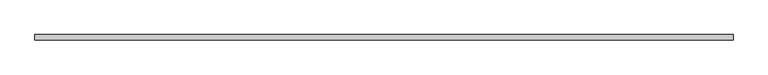
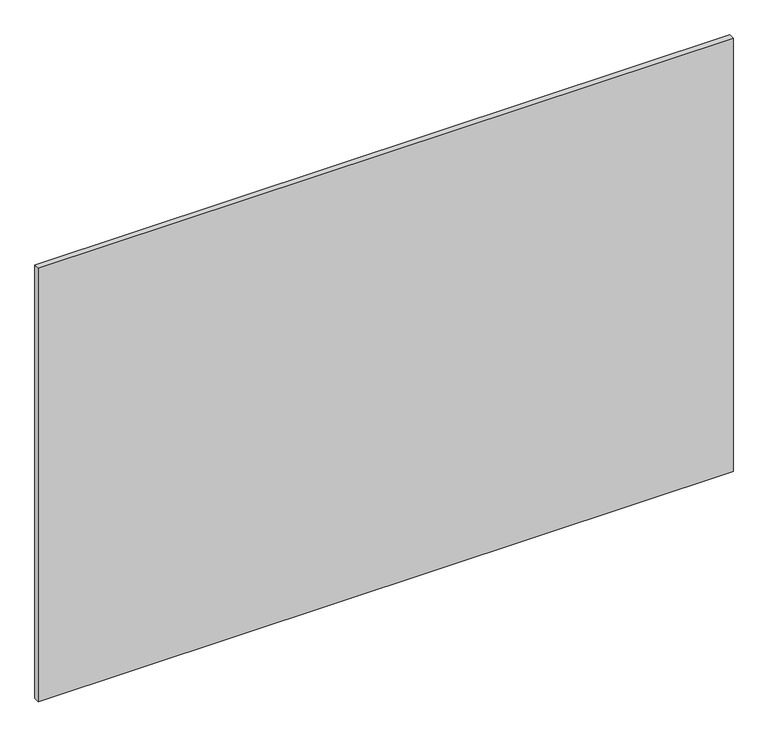
"""IFC4 building model written with IfcOpenShell, lengths in millimetres: plate geometry."""

import ifcopenshell
import ifcopenshell.guid

model = None  # the IFC model being written
_history = None  # IfcOwnerHistory: only IFC2X3 demands one
_inside = {}  # id of a spatial element -> (the spatial element, [elements in it])
_under = {}  # id of a project, library or spatial element -> (it, [spatial elements below it])
_declared = {}  # id of a project -> (the project, [libraries it declares])
_typed = {}  # id of a type object -> (the type object, [elements of that type])
_made_of = {}  # id of a material, layer set ... -> (it, [elements and type objects made of it])


def new_model(schema):
    """Start an empty IFC model of exactly this schema.

    Asked for "IFC4X3", IfcOpenShell would pick the latest addendum, in which some entities
    have other attributes; the version numbers below select the first issue.
    IFC2X3 requires an IfcOwnerHistory on every rooted entity: one is made here for all.
    """
    global model, _history
    if schema == "IFC4X3":
        model = ifcopenshell.file(schema_version=(4, 3, 0, 0))
    else:
        model = ifcopenshell.file(schema=schema)
    _inside.clear()
    _under.clear()
    _declared.clear()
    _typed.clear()
    _made_of.clear()
    _history = None
    if model.schema == "IFC2X3":
        org = make("IfcOrganization", Name="unknown")
        user = make(
            "IfcPersonAndOrganization",
            ThePerson=make("IfcPerson", FamilyName="unknown"),
            TheOrganization=org,
        )
        app = make(
            "IfcApplication",
            ApplicationDeveloper=org,
            Version="unknown",
            ApplicationFullName="unknown",
            ApplicationIdentifier="unknown",
        )
        _history = make(
            "IfcOwnerHistory",
            OwningUser=user,
            OwningApplication=app,
            ChangeAction="ADDED",
            CreationDate=0,
        )
    return model


def make(cls, **values):
    """One entity of the class cls with the attributes given. An attribute that is None is left unset."""
    return model.create_entity(
        cls, **{name: value for name, value in values.items() if value is not None}
    )


def rooted(cls, **values):
    """An entity with a GlobalId (a new one), such as an element, a storey or a relation."""
    return make(cls, GlobalId=ifcopenshell.guid.new(), OwnerHistory=_history, **values)


def si_unit(unit_type, name, prefix=None):
    """IfcSIUnit, for example si_unit("LENGTHUNIT", "METRE", prefix="MILLI")."""
    return make("IfcSIUnit", UnitType=unit_type, Prefix=prefix, Name=name)


def assignment(units):
    """IfcUnitAssignment: the units of a project."""
    return None if units is None else make("IfcUnitAssignment", Units=units)


def point(xyz):
    """IfcCartesianPoint."""
    return None if xyz is None else make("IfcCartesianPoint", Coordinates=xyz)


def direction(xyz):
    """IfcDirection."""
    return None if xyz is None else make("IfcDirection", DirectionRatios=xyz)


def frame(location, z_axis=None, x_axis=None):
    """IfcAxis2Placement3D, a coordinate frame: its origin and axes. An axis left out is left unset."""
    return make(
        "IfcAxis2Placement3D",
        Location=point(location),
        Axis=direction(z_axis),
        RefDirection=direction(x_axis),
    )


def origin():
    """The frame at (0, 0, 0) with its axes left unset."""
    return frame((0.0, 0.0, 0.0))


def origin_with_axes():
    """The frame at (0, 0, 0) with the z axis (0, 0, 1) and the x axis (1, 0, 0) written out."""
    return frame((0.0, 0.0, 0.0), z_axis=(0.0, 0.0, 1.0), x_axis=(1.0, 0.0, 0.0))


def place(relative_to, where):
    """IfcLocalPlacement: puts the frame where relative to a parent placement (None: the world)."""
    return make(
        "IfcLocalPlacement", PlacementRelTo=relative_to, RelativePlacement=where
    )


def context(
    kind, dimensions, precision=None, world=None, true_north=None, identifier=None
):
    """IfcGeometricRepresentationContext, for example the 3D "Model" context."""
    return make(
        "IfcGeometricRepresentationContext",
        ContextIdentifier=identifier,
        ContextType=kind,
        CoordinateSpaceDimension=dimensions,
        Precision=precision,
        WorldCoordinateSystem=world,
        TrueNorth=true_north,
    )


def project(units=None, contexts=None):
    """IfcProject with its units and contexts."""
    return rooted(
        "IfcProject",
        Name="project",
        RepresentationContexts=contexts,
        UnitsInContext=assignment(units),
    )


def spatial(cls, under=None, at=None, **own):
    """A site, building, storey or space (cls), placed at a placement, below another one or the project."""
    s = rooted(cls, ObjectPlacement=at, **own)
    if under is not None:
        _under.setdefault(under.id(), (under, []))[1].append(s)
    return s


def polyline(points):
    """IfcPolyline through the points."""
    return make("IfcPolyline", Points=[point(p) for p in points])


def outline(outer, holes=None, kind="AREA"):
    """IfcArbitraryClosedProfileDef: a profile drawn as a closed curve; with holes, ...WithVoids."""
    if holes is None:
        return make("IfcArbitraryClosedProfileDef", ProfileType=kind, OuterCurve=outer)
    return make(
        "IfcArbitraryProfileDefWithVoids",
        ProfileType=kind,
        OuterCurve=outer,
        InnerCurves=holes,
    )


def extrude(swept, where, along, depth):
    """IfcExtrudedAreaSolid: the profile swept, set in the frame where, extruded along a direction by depth."""
    return make(
        "IfcExtrudedAreaSolid",
        SweptArea=swept,
        Position=where,
        ExtrudedDirection=direction(along),
        Depth=depth,
    )


def shape(context_of_items, identifier, shape_type, items):
    """IfcShapeRepresentation: the items that make up one representation, for example the "Body"."""
    return make(
        "IfcShapeRepresentation",
        ContextOfItems=context_of_items,
        RepresentationIdentifier=identifier,
        RepresentationType=shape_type,
        Items=items,
    )


def source(mapping_origin, context_of_items, identifier, shape_type, items):
    """IfcRepresentationMap: a shape defined once, which mapped items show again and again."""
    return make(
        "IfcRepresentationMap",
        MappingOrigin=mapping_origin,
        MappedRepresentation=shape(context_of_items, identifier, shape_type, items),
    )


def transform(
    local_origin,
    x_axis=None,
    y_axis=None,
    z_axis=None,
    scale=None,
    scale2=None,
    scale3=None,
    uniform=True,
):
    """IfcCartesianTransformationOperator3D, or its non-uniform kind. x_axis, y_axis, z_axis: its Axis1, 2, 3."""
    if uniform:
        return make(
            "IfcCartesianTransformationOperator3D",
            Axis1=direction(x_axis),
            Axis2=direction(y_axis),
            LocalOrigin=point(local_origin),
            Scale=scale,
            Axis3=direction(z_axis),
        )
    return make(
        "IfcCartesianTransformationOperator3DnonUniform",
        Axis1=direction(x_axis),
        Axis2=direction(y_axis),
        LocalOrigin=point(local_origin),
        Scale=scale,
        Axis3=direction(z_axis),
        Scale2=scale2,
        Scale3=scale3,
    )


def mapped(mapping_source, mapping_target):
    """IfcMappedItem: shows the shape of a source again, moved by a transform."""
    return make(
        "IfcMappedItem", MappingSource=mapping_source, MappingTarget=mapping_target
    )


def made_of(thing, what):
    """Note that an element or type object is made of a material, layer set ...; save() writes the relation."""
    if what is not None:
        _made_of.setdefault(what.id(), (what, []))[1].append(thing)
    return thing


def element(
    cls,
    number,
    at=None,
    inside=None,
    cuts=None,
    type_object=None,
    material=None,
    context=None,
    identifier="Body",
    shape_type=None,
    held_by="IfcProductDefinitionShape",
    body=None,
    shapes=None,
    **own,
):
    """One element of the class cls, such as IfcWall. Its Tag is "e" and its number.

    at: its placement. inside: the storey or other place that contains it. cuts: it is an
    opening in that element (IfcRelVoidsElement). A single representation is given by context,
    identifier, shape_type and body (its items); several are given by shapes. held_by: the class
    of the entity that holds the representations. save() writes the other relations.
    """
    e = rooted(cls, Tag="e%d" % number, ObjectPlacement=at, **own)
    if body is not None:
        shapes = [shape(context, identifier, shape_type, body)]
    if shapes is not None:
        e.Representation = make(held_by, Representations=shapes)
    if inside is not None:
        _inside.setdefault(inside.id(), (inside, []))[1].append(e)
    if cuts is not None:
        rooted(
            "IfcRelVoidsElement", RelatingBuildingElement=cuts, RelatedOpeningElement=e
        )
    if type_object is not None:
        _typed.setdefault(type_object.id(), (type_object, []))[1].append(e)
    return made_of(e, material)


def aggregate(whole, parts):
    """IfcRelAggregates: a whole, such as a stair, and the parts it consists of."""
    return rooted("IfcRelAggregates", RelatingObject=whole, RelatedObjects=parts)


def save(model, path):
    """Write the relations noted so far, then the file.

    IfcRelAggregates (storeys below a building ...), IfcRelContainedInSpatialStructure (elements
    in a storey), IfcRelDefinesByType, IfcRelAssociatesMaterial and IfcRelDeclares: one each for
    every whole, place, type object, material and project.
    """
    for whole, parts in _under.values():
        aggregate(whole, parts)
    for where, things in _inside.values():
        rooted(
            "IfcRelContainedInSpatialStructure",
            RelatedElements=things,
            RelatingStructure=where,
        )
    for kind, things in _typed.values():
        rooted("IfcRelDefinesByType", RelatedObjects=things, RelatingType=kind)
    for what, things in _made_of.values():
        rooted("IfcRelAssociatesMaterial", RelatedObjects=things, RelatingMaterial=what)
    for by, libraries in _declared.values():
        rooted("IfcRelDeclares", RelatingContext=by, RelatedDefinitions=libraries)
    model.write(path)


def plate_300c18ba(model_context):
    return source(origin(), model_context, "Body", "SweptSolid", [
        extrude(outline(polyline([(625.0, -20.0), (625.0, -30.0), (-625.0, -30.0), (-625.0, -20.0), (625.0, -20.0)])), origin_with_axes(), (0.0, 0.0, 1.0), 825.0),
    ])


if __name__ == "__main__":
    model = new_model("IFC4")
    model_context = context("Model", 3, world=origin())
    ifc_project = project(units=[si_unit("LENGTHUNIT", "METRE", prefix="MILLI")], contexts=[model_context])
    site = spatial("IfcSite", under=ifc_project)
    building = spatial("IfcBuilding", under=site)
    placement = place(None, origin())
    plate_shape = plate_300c18ba(model_context)
    element("IfcPlate", 1, at=placement, inside=building, context=model_context, shape_type="MappedRepresentation", body=[
        mapped(plate_shape, transform((0.0, 0.0, 0.0), x_axis=(1.0, 0.0, 0.0), y_axis=(0.0, 1.0, 0.0), z_axis=(0.0, 0.0, 1.0))),
    ])
    save(model, "model.ifc")
